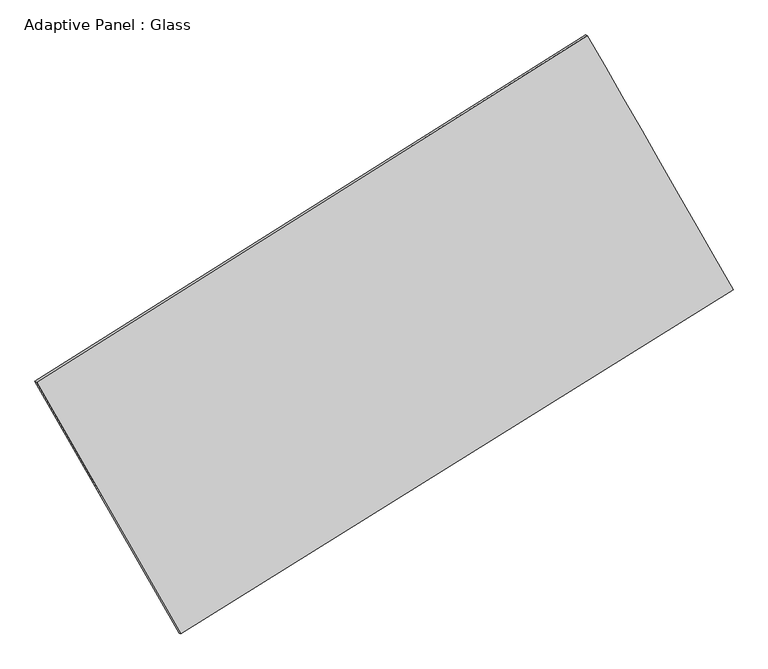
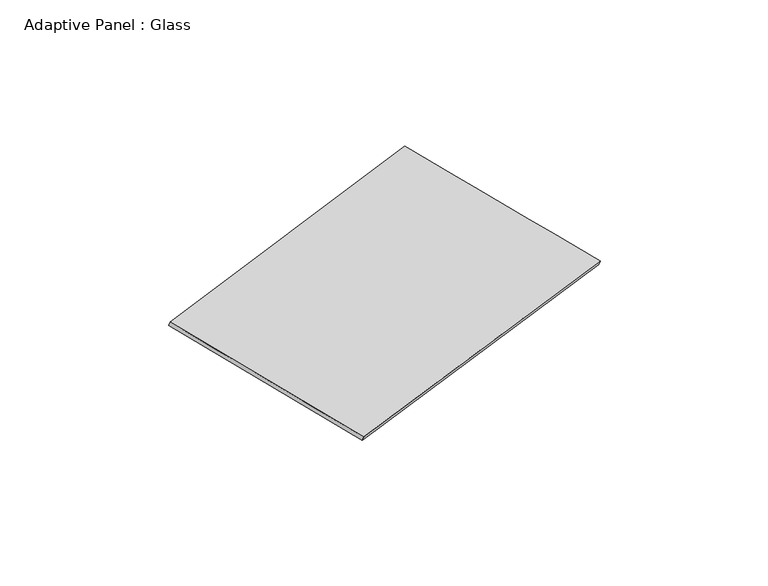
"""IFC4 building model written with IfcOpenShell, lengths in millimetres: plate geometry, Adaptive Panel : Glass."""

from ifc_helpers import new_model, si_unit, frame, origin, place, context, project, spatial, source, transform, mapped, element, save
from ifc_brep_helpers import plane_surface, spline_surface, advanced_brep


def adaptive_panel_glass_459201c9(model_context):
    return source(origin(), model_context, "Body", "AdvancedBrep", [
        advanced_brep(
        [(1151.6994945, 2561.3778287, 667.520876), (-3740.3634918, -515.1428832, 1776.0580768), (-3725.697136, -521.5229767, 1823.4309849), (1166.3658503, 2554.9977352, 714.893784), (-2460.5504862, -2752.7968781, 1070.1191346), (-2445.8841304, -2759.1769716, 1117.4920426), (2445.9239053, 306.3133597, -28.5755672), (2460.5902612, 299.9332663, 18.7973408)],
        [
            (0, 1),
            (1, 2),
            (2, 3),
            (3, 0),
            (1, 4),
            (4, 5),
            (5, 2),
            (4, 6),
            (6, 7),
            (7, 5),
            (6, 0),
            (3, 7),
        ],
        [
            plane_surface(frame((-1294.3319986, 1023.1174727, 1221.7894764), z_axis=(-0.47131868605012506, 0.8429401402219924, 0.25944289580274055), x_axis=(-0.8313619783212309, -0.5228269448992462, 0.1883858983287492))),
            plane_surface(frame((-3100.456989, -1633.9698806, 1423.0886057), z_axis=(-0.8269412875230975, -0.5311641554814907, 0.18447966533273275), x_axis=(0.47884510501250355, -0.8372236080349041, -0.2641287480653741))),
            plane_surface(frame((-7.3132904, -1223.2417592, 520.7717837), z_axis=(0.4686431444351207, -0.8446155066181504, -0.2588402000349404), x_axis=(0.833658658118462, 0.5197731675336801, -0.18667912592502273))),
            plane_surface(frame((1798.8116999, 1433.8455942, 319.4726544), z_axis=(0.8267890723298473, 0.5314298305850536, -0.18439675984217302), x_axis=(-0.480832598625793, 0.837805638329854, 0.25861501209611365))),
            spline_surface(1, 1, [[(-3725.697136, -521.5229767, 1823.4309849), (1166.3658503, 2554.9977352, 714.893784)], [(-2445.8841304, -2759.1769716, 1117.4920426), (2460.5902612, 299.9332663, 18.7973408)]], [2, 2], [2, 2], [0.0, 1.0], [0.0, 1.0]),
            spline_surface(1, 1, [[(2445.9239053, 306.3133597, -28.5755672), (1151.6994945, 2561.3778287, 667.520876)], [(-2460.5504862, -2752.7968781, 1070.1191346), (-3740.3634918, -515.1428832, 1776.0580768)]], [2, 2], [2, 2], [0.0, 1.0], [0.0, 1.0]),
        ],
        [
            (0, [[1, 2, 3, 4]]),
            (1, [[5, 6, 7, -2]]),
            (2, [[8, 9, 10, -6]]),
            (3, [[11, -4, 12, -9]]),
            (4, [[-3, -7, -10, -12]]),
            (5, [[-11, -8, -5, -1]]),
        ],
    ),
    ])


if __name__ == "__main__":
    model = new_model("IFC4")
    model_context = context("Model", 3, world=origin())
    ifc_project = project(units=[si_unit("LENGTHUNIT", "METRE", prefix="MILLI")], contexts=[model_context])
    site = spatial("IfcSite", under=ifc_project)
    building = spatial("IfcBuilding", under=site)
    placement = place(None, origin())
    adaptive_panel_glass_shape = adaptive_panel_glass_459201c9(model_context)
    element("IfcPlate", 1, ObjectType="Adaptive Panel : Glass", at=placement, inside=building, context=model_context, shape_type="MappedRepresentation", body=[
        mapped(adaptive_panel_glass_shape, transform((0.0, 0.0, 0.0), x_axis=(1.0, 0.0, 0.0), y_axis=(0.0, 1.0, 0.0), z_axis=(0.0, 0.0, 1.0))),
    ])
    save(model, "model.ifc")
